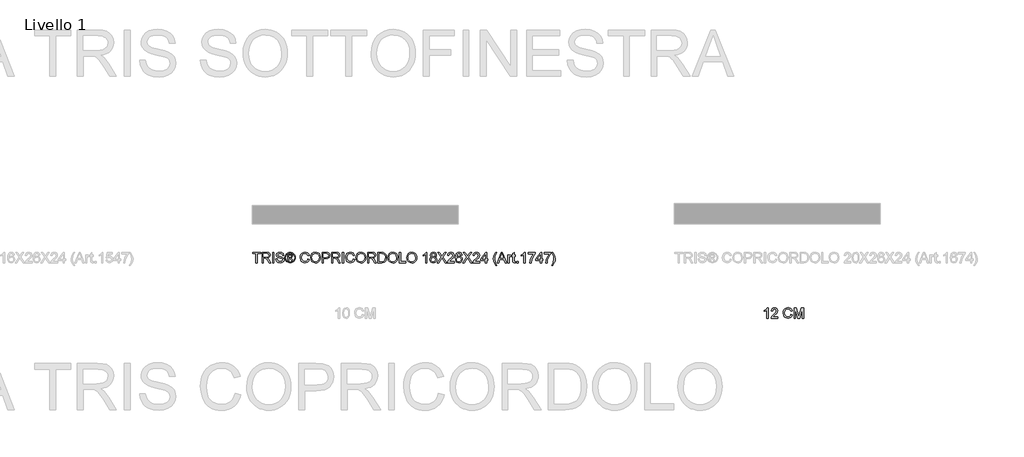
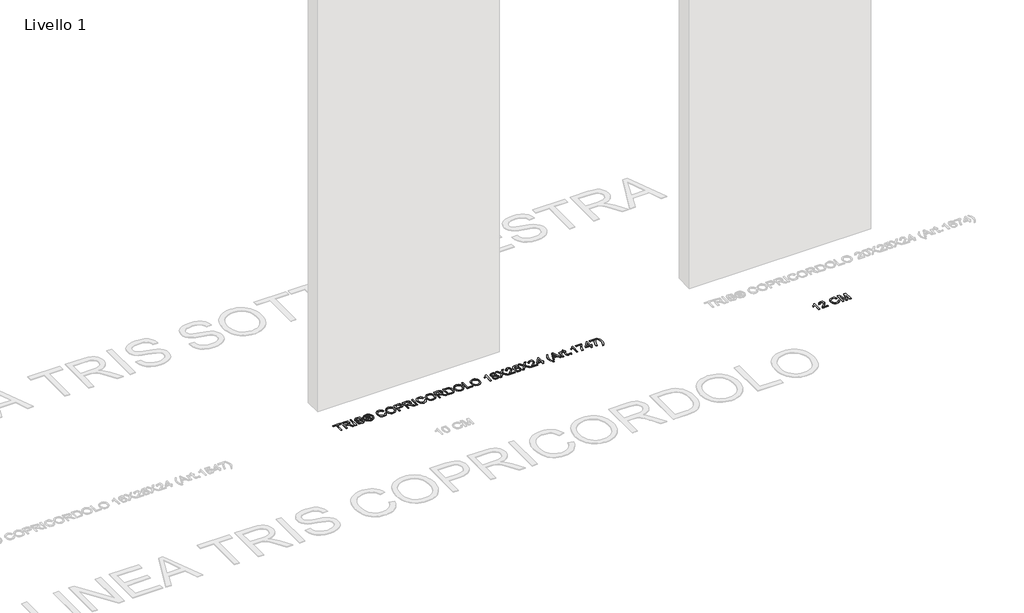
# One storey, part 3 of 16: 2 proxies.
"""IFC4 building model written with IfcOpenShell, lengths in millimetres."""

from ifc_helpers import new_model, si_unit, origin, origin_with_axes, place, context, project, spatial, polyline, outline, extrude, element, save

model = new_model("IFC4")

# Units and contexts
model_context = context("Model", 3, world=origin())
ifc_project = project(units=[si_unit("LENGTHUNIT", "METRE", prefix="MILLI")], contexts=[model_context])

# Site, building, storey
site = spatial("IfcSite", under=ifc_project)
building = spatial("IfcBuilding", under=site)
storey = spatial("IfcBuildingStorey", under=building, Name="Livello 1", Elevation=0.0)

# Proxies
placement = place(None, origin())
element("IfcBuildingElementProxy", 1, Name="100", ObjectType="100", at=placement, inside=storey, context=model_context, shape_type="SweptSolid", body=[
    extrude(outline(polyline([(3499.8577647, -2319.8590312), (3487.3007259, -2319.8590312), (3487.3007259, -2241.5737426), (3475.4058748, -2250.0472912), (3462.1866484, -2256.3871243), (3462.1866484, -2244.5167986), (3480.5930109, -2232.7691002), (3491.7643608, -2219.4027211), (3499.8577647, -2219.4027211), (3499.8577647, -2319.8590312)])), origin_with_axes(), (0.0, 0.0, 1.0), 5.0),
    extrude(outline(polyline([(3594.0355555, -2307.3019924), (3594.0355555, -2319.8590312), (3528.1111019, -2319.8590312), (3529.4600026, -2311.2015416), (3537.0874226, -2297.8719506), (3552.8082466, -2283.3160863), (3574.4887588, -2262.3958636), (3579.9088869, -2248.1710931), (3574.7953271, -2236.6563866), (3561.4412107, -2231.9597598), (3547.5230086, -2236.546022), (3542.2377706, -2249.2256881), (3529.6807318, -2247.6560583), (3532.7249553, -2235.5098211), (3539.3069773, -2226.6377336), (3549.0834414, -2221.2114742), (3561.7109908, -2219.4027211), (3574.4305108, -2221.4138093), (3584.1885807, -2227.447074), (3590.3965894, -2236.4601829), (3592.4659256, -2247.4108036), (3590.2341082, -2259.3179175), (3582.8151546, -2271.6297016), (3564.8257251, -2288.8343163), (3550.3802254, -2300.9131084), (3544.7148427, -2307.3019924), (3594.0355555, -2307.3019924)])), origin_with_axes(), (0.0, 0.0, 1.0), 5.0),
    extrude(outline(polyline([(3721.175573, -2284.1499522), (3733.7326118, -2287.3873138), (3727.9384704, -2302.0198201), (3718.8456537, -2312.7098578), (3706.9017516, -2319.2489602), (3692.5543538, -2321.428661), (3677.9892925, -2319.7793234), (3666.4224694, -2314.8313106), (3657.5565133, -2306.7563008), (3651.0940529, -2295.7259723), (3645.8333404, -2268.8705867), (3647.3201968, -2254.2227519), (3651.780766, -2241.5737426), (3658.982056, -2231.3251634), (3668.691075, -2223.8786187), (3680.2057815, -2219.3444731), (3692.8241339, -2217.8330912), (3706.5921176, -2219.7889971), (3717.9749997, -2225.656715), (3726.6171609, -2235.074494), (3732.1629819, -2247.6805837), (3719.6059432, -2250.6726906), (3709.3052473, -2235.2339096), (3692.3336246, -2230.39013), (3672.6887261, -2235.7612071), (3661.5909525, -2250.1821813), (3658.3903792, -2268.8460612), (3662.1795637, -2290.4775225), (3673.976313, -2304.2976228), (3691.303555, -2308.8716223), (3701.7851262, -2307.3142552), (3710.5192579, -2302.6421538), (3717.1135427, -2294.9043692), (3721.175573, -2284.1499522)])), origin_with_axes(), (0.0, 0.0, 1.0), 5.0),
    extrude(outline(polyline([(3750.9985401, -2319.8590312), (3750.9985401, -2219.4027211), (3772.6054759, -2219.4027211), (3793.1578167, -2290.2077424), (3797.3026206, -2304.9965986), (3801.7907809, -2288.9814691), (3821.9997652, -2219.4027211), (3843.606701, -2219.4027211), (3843.606701, -2319.8590312), (3831.0496622, -2319.8590312), (3831.0496622, -2231.9597598), (3805.8129574, -2319.8590312), (3788.7922837, -2319.8590312), (3763.5555789, -2231.9597598), (3763.5555789, -2319.8590312), (3750.9985401, -2319.8590312)])), origin_with_axes(), (0.0, 0.0, 1.0), 5.0),
])
element("IfcBuildingElementProxy", 2, Name="100", ObjectType="100", at=placement, inside=storey, context=model_context, shape_type="SweptSolid", body=[
    extrude(outline(polyline([(-1474.7353997, -1780.9291431), (-1474.7353997, -1693.0298717), (-1507.6976265, -1693.0298717), (-1507.6976265, -1680.472833), (-1429.2161342, -1680.472833), (-1429.2161342, -1693.0298717), (-1462.1783609, -1693.0298717), (-1462.1783609, -1780.9291431), (-1474.7353997, -1780.9291431)])), origin_with_axes(), (0.0, 0.0, 1.0), 5.0),
    extrude(outline(polyline([(-1415.0894655, -1780.9291431), (-1415.0894655, -1680.472833), (-1371.8020174, -1680.472833), (-1351.7033978, -1683.182897), (-1340.7159888, -1692.7723543), (-1336.6079732, -1707.9658807), (-1338.3094275, -1717.8619064), (-1343.4137901, -1726.0656749), (-1352.0743454, -1732.0805455), (-1364.4443775, -1735.4098776), (-1357.3074668, -1740.7809547), (-1347.1293983, -1753.7058755), (-1330.3785048, -1780.9291431), (-1344.9711573, -1780.9291431), (-1358.0432308, -1760.1070222), (-1367.4855354, -1746.3237101), (-1374.119674, -1739.8121988), (-1380.0916251, -1737.4209658), (-1387.3756886, -1736.9795074), (-1402.5324268, -1736.9795074), (-1402.5324268, -1780.9291431), (-1415.0894655, -1780.9291431)]), holes=[polyline([(-1402.5324268, -1724.4224686), (-1374.4262423, -1724.4224686), (-1360.0911073, -1722.6443723), (-1351.9486524, -1716.9544641), (-1349.165012, -1708.4318646), (-1354.4747755, -1697.3708793), (-1371.2624572, -1693.0298717), (-1402.5324268, -1693.0298717), (-1402.5324268, -1724.4224686)])]), origin_with_axes(), (0.0, 0.0, 1.0), 5.0),
    extrude(outline(polyline([(-1313.0635255, -1780.9291431), (-1313.0635255, -1680.472833), (-1300.5064868, -1680.472833), (-1300.5064868, -1780.9291431), (-1313.0635255, -1780.9291431)])), origin_with_axes(), (0.0, 0.0, 1.0), 5.0),
    extrude(outline(polyline([(-1280.1012988, -1746.3972865), (-1267.54426, -1746.3972865), (-1263.4975581, -1758.966588), (-1253.6137951, -1766.9128391), (-1238.5551588, -1769.9417342), (-1225.4340343, -1767.6486031), (-1216.9604857, -1761.3455582), (-1214.1768452, -1752.9210605), (-1216.2615099, -1745.085174), (-1224.7963722, -1739.3830031), (-1243.0801073, -1734.5882744), (-1262.7617941, -1728.3955942), (-1273.4426347, -1719.0513915), (-1276.9620391, -1706.5679291), (-1272.6087688, -1692.3554214), (-1259.8923145, -1682.3245057), (-1241.2774856, -1678.9032031), (-1221.4118578, -1682.4839212), (-1208.168106, -1693.0053463), (-1203.1894363, -1708.7261702), (-1215.7464751, -1708.7261702), (-1218.0518689, -1701.2336402), (-1222.8588603, -1695.8257749), (-1240.7869762, -1691.4602419), (-1258.7641431, -1695.7767239), (-1264.4050003, -1706.2000471), (-1260.4073493, -1714.9065877), (-1239.9040594, -1721.9208711), (-1217.6839869, -1728.2239159), (-1205.5316184, -1738.4019845), (-1201.6198065, -1752.6022295), (-1206.1202295, -1767.6240776), (-1219.0696758, -1778.5869611), (-1238.0646495, -1782.4987729), (-1260.4931884, -1778.2803927), (-1274.6811707, -1765.5762012), (-1280.1012988, -1746.3972865)])), origin_with_axes(), (0.0, 0.0, 1.0), 5.0),
    extrude(outline(polyline([(-1165.51832, -1762.0935849), (-1165.51832, -1699.3083911), (-1145.2357593, -1699.3083911), (-1130.177123, -1701.0374365), (-1122.7581694, -1707.0707012), (-1119.9990545, -1716.2309629), (-1124.7569949, -1728.1503395), (-1137.3630846, -1733.8402477), (-1132.4579914, -1737.1757111), (-1123.8986036, -1749.7082244), (-1116.8597948, -1762.0935849), (-1127.4547962, -1762.0935849), (-1132.9730262, -1752.1362456), (-1142.219127, -1737.7152714), (-1150.2389545, -1735.4098776), (-1156.1005409, -1735.4098776), (-1156.1005409, -1762.0935849), (-1165.51832, -1762.0935849)]), holes=[polyline([(-1156.1005409, -1725.9920985), (-1144.1811643, -1725.9920985), (-1132.5315678, -1723.6008655), (-1129.4168336, -1717.2610325), (-1130.912887, -1712.6992957), (-1135.0699535, -1709.7071888), (-1144.9414537, -1708.7261702), (-1156.1005409, -1708.7261702), (-1156.1005409, -1725.9920985)])]), origin_with_axes(), (0.0, 0.0, 1.0), 5.0),
    extrude(outline(polyline([(-1141.9493469, -1678.9032031), (-1129.0550829, -1680.5770662), (-1116.4673873, -1685.5986554), (-1105.4094677, -1693.7349789), (-1097.1045316, -1704.7530446), (-1091.9081985, -1717.4756303), (-1090.1760874, -1730.7255135), (-1091.883673, -1743.8589007), (-1097.0064298, -1756.4772532), (-1105.2101983, -1767.455465), (-1116.160819, -1775.6684306), (-1128.7699744, -1780.7911874), (-1141.9493469, -1782.4987729), (-1155.1103252, -1780.7911874), (-1167.7133493, -1775.6684306), (-1178.673167, -1767.455465), (-1186.9045267, -1756.4772532), (-1192.0548746, -1743.8589007), (-1193.7716572, -1730.7255135), (-1192.0303491, -1717.4756303), (-1186.8064248, -1704.7530446), (-1178.4738976, -1693.7349789), (-1167.4067809, -1685.5986554), (-1154.8252167, -1680.5770662), (-1141.9493469, -1678.9032031)]), holes=[polyline([(-1141.9493469, -1688.3209822), (-1162.7714678, -1693.8024239), (-1171.7999051, -1700.4641537), (-1178.6271818, -1709.4864596), (-1184.3538782, -1730.7255135), (-1178.7375464, -1751.7806263), (-1163.0167224, -1767.4646621), (-1141.9493469, -1773.0809939), (-1120.8697085, -1767.4646621), (-1105.1856728, -1751.7806263), (-1099.5938665, -1730.7255135), (-1105.2837747, -1709.4864596), (-1112.0926573, -1700.4641537), (-1121.1394887, -1693.8024239), (-1141.9493469, -1688.3209822)])]), origin_with_axes(), (0.0, 0.0, 1.0), 5.0),
    extrude(outline(polyline([(-969.3145893, -1745.2200641), (-956.7575505, -1748.4574257), (-962.5516919, -1763.089932), (-971.6445086, -1773.7799697), (-983.5884107, -1780.3190721), (-997.9358085, -1782.4987729), (-1012.5008698, -1780.8494353), (-1024.0676929, -1775.9014225), (-1032.933649, -1767.8264127), (-1039.3961093, -1756.7960842), (-1044.6568219, -1729.9406986), (-1043.1699655, -1715.2928638), (-1038.7093963, -1702.6438545), (-1031.5081062, -1692.3952753), (-1021.7990872, -1684.9487306), (-1010.2843808, -1680.414585), (-997.6660283, -1678.9032031), (-983.8980447, -1680.859109), (-972.5151626, -1686.7268269), (-963.8730014, -1696.1446059), (-958.3271803, -1708.7506956), (-970.8842191, -1711.7428025), (-981.184915, -1696.3040215), (-998.1565377, -1691.4602419), (-1017.8014362, -1696.831319), (-1028.8992097, -1711.2522932), (-1032.0997831, -1729.9161731), (-1028.3105985, -1751.5476344), (-1016.5138492, -1765.3677347), (-999.1866073, -1769.9417342), (-988.7050361, -1768.3843671), (-979.9709044, -1763.7122657), (-973.3766196, -1755.9744811), (-969.3145893, -1745.2200641)])), origin_with_axes(), (0.0, 0.0, 1.0), 5.0),
    extrude(outline(polyline([(-944.2005117, -1732.0253632), (-940.8527856, -1709.8114221), (-930.8096071, -1693.0053463), (-915.4750593, -1682.4287389), (-896.253225, -1678.9032031), (-883.0769182, -1680.5586721), (-871.2617748, -1685.525079), (-861.4515883, -1693.452936), (-854.2901521, -1703.9927552), (-849.9123563, -1716.6356331), (-848.4530911, -1730.8726663), (-849.9889984, -1745.2997719), (-854.5967204, -1758.1204594), (-862.0218054, -1768.6786727), (-872.0098015, -1776.3183554), (-883.7237774, -1780.9536686), (-896.3268014, -1782.4987729), (-909.7054433, -1780.7911874), (-921.5880317, -1775.6684306), (-931.3736928, -1767.5934208), (-938.4615526, -1757.0290761), (-944.2005117, -1732.0253632)]), holes=[polyline([(-931.6434729, -1732.1479905), (-929.1326783, -1747.8626831), (-921.6002945, -1759.837242), (-910.2787261, -1767.4156111), (-896.4003778, -1769.9417342), (-882.3196944, -1767.3910857), (-870.9797319, -1759.7391402), (-863.5025304, -1747.3966992), (-861.0101299, -1730.7745644), (-865.277561, -1710.0505454), (-877.7487607, -1696.3285469), (-896.1796486, -1691.4602419), (-909.6870492, -1693.8054896), (-921.1710988, -1700.8412328), (-929.0253794, -1713.3584176), (-931.6434729, -1732.1479905)])]), origin_with_axes(), (0.0, 0.0, 1.0), 5.0),
    extrude(outline(polyline([(-831.1871628, -1780.9291431), (-831.1871628, -1680.472833), (-793.9575049, -1680.472833), (-778.9479195, -1681.4293261), (-766.7465, -1686.1259529), (-758.8370371, -1695.8380376), (-755.8449302, -1709.5355106), (-757.8652155, -1721.3751794), (-763.9260713, -1731.2405483), (-775.2599025, -1737.8992124), (-793.0991136, -1740.1187671), (-818.630124, -1740.1187671), (-818.630124, -1780.9291431), (-831.1871628, -1780.9291431)]), holes=[polyline([(-818.630124, -1727.5617283), (-792.3633496, -1727.5617283), (-773.8711479, -1722.9509407), (-769.7692637, -1717.4020539), (-768.401969, -1709.976969), (-771.6270678, -1699.5781712), (-780.1006164, -1693.888263), (-792.6576552, -1693.0298717), (-818.630124, -1693.0298717), (-818.630124, -1727.5617283)])]), origin_with_axes(), (0.0, 0.0, 1.0), 5.0),
    extrude(outline(polyline([(-738.5790019, -1780.9291431), (-738.5790019, -1680.472833), (-695.2915538, -1680.472833), (-675.1929341, -1683.182897), (-664.2055252, -1692.7723543), (-660.0975096, -1707.9658807), (-661.7989638, -1717.8619064), (-666.9033265, -1726.0656749), (-675.5638818, -1732.0805455), (-687.9339139, -1735.4098776), (-680.7970032, -1740.7809547), (-670.6189346, -1753.7058755), (-653.8680411, -1780.9291431), (-668.4606936, -1780.9291431), (-681.5327672, -1760.1070222), (-690.9750717, -1746.3237101), (-697.6092103, -1739.8121988), (-703.5811614, -1737.4209658), (-710.8652249, -1736.9795074), (-726.0219631, -1736.9795074), (-726.0219631, -1780.9291431), (-738.5790019, -1780.9291431)]), holes=[polyline([(-726.0219631, -1724.4224686), (-697.9157787, -1724.4224686), (-683.5806436, -1722.6443723), (-675.4381888, -1716.9544641), (-672.6545483, -1708.4318646), (-677.9643118, -1697.3708793), (-694.7519935, -1693.0298717), (-726.0219631, -1693.0298717), (-726.0219631, -1724.4224686)])]), origin_with_axes(), (0.0, 0.0, 1.0), 5.0),
    extrude(outline(polyline([(-636.5530619, -1780.9291431), (-636.5530619, -1680.472833), (-623.9960231, -1680.472833), (-623.9960231, -1780.9291431), (-636.5530619, -1780.9291431)])), origin_with_axes(), (0.0, 0.0, 1.0), 5.0),
    extrude(outline(polyline([(-528.2486025, -1745.2200641), (-515.6915637, -1748.4574257), (-521.4857052, -1763.089932), (-530.5785218, -1773.7799697), (-542.5224239, -1780.3190721), (-556.8698217, -1782.4987729), (-571.4348831, -1780.8494353), (-583.0017061, -1775.9014225), (-591.8676622, -1767.8264127), (-598.3301226, -1756.7960842), (-603.5908351, -1729.9406986), (-602.1039787, -1715.2928638), (-597.6434095, -1702.6438545), (-590.4421195, -1692.3952753), (-580.7331005, -1684.9487306), (-569.218394, -1680.414585), (-556.6000416, -1678.9032031), (-542.8320579, -1680.859109), (-531.4491759, -1686.7268269), (-522.8070147, -1696.1446059), (-517.2611936, -1708.7506956), (-529.8182323, -1711.7428025), (-540.1189282, -1696.3040215), (-557.0905509, -1691.4602419), (-576.7354495, -1696.831319), (-587.833223, -1711.2522932), (-591.0337963, -1729.9161731), (-587.2446118, -1751.5476344), (-575.4478625, -1765.3677347), (-558.1206205, -1769.9417342), (-547.6390493, -1768.3843671), (-538.9049176, -1763.7122657), (-532.3106329, -1755.9744811), (-528.2486025, -1745.2200641)])), origin_with_axes(), (0.0, 0.0, 1.0), 5.0),
    extrude(outline(polyline([(-503.134525, -1732.0253632), (-499.7867988, -1709.8114221), (-489.7436203, -1693.0053463), (-474.4090725, -1682.4287389), (-455.1872383, -1678.9032031), (-442.0109315, -1680.5586721), (-430.1957881, -1685.525079), (-420.3856015, -1693.452936), (-413.2241653, -1703.9927552), (-408.8463696, -1716.6356331), (-407.3871044, -1730.8726663), (-408.9230117, -1745.2997719), (-413.5307337, -1758.1204594), (-420.9558186, -1768.6786727), (-430.9438148, -1776.3183554), (-442.6577906, -1780.9536686), (-455.2608147, -1782.4987729), (-468.6394565, -1780.7911874), (-480.522045, -1775.6684306), (-490.3077061, -1767.5934208), (-497.3955658, -1757.0290761), (-503.134525, -1732.0253632)]), holes=[polyline([(-490.5774862, -1732.1479905), (-488.0666916, -1747.8626831), (-480.5343077, -1759.837242), (-469.2127393, -1767.4156111), (-455.3343911, -1769.9417342), (-441.2537077, -1767.3910857), (-429.9137452, -1759.7391402), (-422.4365436, -1747.3966992), (-419.9441431, -1730.7745644), (-424.2115743, -1710.0505454), (-436.6827739, -1696.3285469), (-455.1136619, -1691.4602419), (-468.6210624, -1693.8054896), (-480.1051121, -1700.8412328), (-487.9593927, -1713.3584176), (-490.5774862, -1732.1479905)])]), origin_with_axes(), (0.0, 0.0, 1.0), 5.0),
    extrude(outline(polyline([(-390.121176, -1780.9291431), (-390.121176, -1680.472833), (-346.8337279, -1680.472833), (-326.7351083, -1683.182897), (-315.7476994, -1692.7723543), (-311.6396837, -1707.9658807), (-313.341138, -1717.8619064), (-318.4455007, -1726.0656749), (-327.106056, -1732.0805455), (-339.476088, -1735.4098776), (-332.3391773, -1740.7809547), (-322.1611088, -1753.7058755), (-305.4102153, -1780.9291431), (-320.0028678, -1780.9291431), (-333.0749413, -1760.1070222), (-342.5172459, -1746.3237101), (-349.1513845, -1739.8121988), (-355.1233356, -1737.4209658), (-362.4073991, -1736.9795074), (-377.5641373, -1736.9795074), (-377.5641373, -1780.9291431), (-390.121176, -1780.9291431)]), holes=[polyline([(-377.5641373, -1724.4224686), (-349.4579528, -1724.4224686), (-335.1228178, -1722.6443723), (-326.9803629, -1716.9544641), (-324.1967225, -1708.4318646), (-329.506486, -1697.3708793), (-346.2941677, -1693.0298717), (-377.5641373, -1693.0298717), (-377.5641373, -1724.4224686)])]), origin_with_axes(), (0.0, 0.0, 1.0), 5.0),
    extrude(outline(polyline([(-289.6648659, -1780.9291431), (-289.6648659, -1680.472833), (-255.0103819, -1680.472833), (-237.0822661, -1681.9198355), (-222.3179353, -1689.1057971), (-210.4230841, -1706.2736235), (-206.4744841, -1730.1614278), (-209.1477599, -1750.4317257), (-216.0148905, -1765.0611664), (-225.1874149, -1774.1723771), (-237.1926306, -1779.2123605), (-253.3426502, -1780.9291431), (-289.6648659, -1780.9291431)]), holes=[polyline([(-277.1078271, -1768.3721043), (-254.8877546, -1768.3721043), (-238.7254723, -1766.5572198), (-229.4057951, -1761.4313974), (-221.7661123, -1748.9601977), (-219.0315228, -1729.965224), (-220.3712264, -1716.2800138), (-224.3903372, -1706.1755217), (-237.4256226, -1695.04096), (-255.2311111, -1693.0298717), (-277.1078271, -1693.0298717), (-277.1078271, -1768.3721043)])]), origin_with_axes(), (0.0, 0.0, 1.0), 5.0),
    extrude(outline(polyline([(-193.9174453, -1732.0253632), (-190.5697191, -1709.8114221), (-180.5265407, -1693.0053463), (-165.1919928, -1682.4287389), (-145.9701586, -1678.9032031), (-132.7938518, -1680.5586721), (-120.9787084, -1685.525079), (-111.1685218, -1693.452936), (-104.0070857, -1703.9927552), (-99.6292899, -1716.6356331), (-98.1700247, -1730.8726663), (-99.705932, -1745.2997719), (-104.313654, -1758.1204594), (-111.7387389, -1768.6786727), (-121.7267351, -1776.3183554), (-133.440711, -1780.9536686), (-146.043735, -1782.4987729), (-159.4223769, -1780.7911874), (-171.3049653, -1775.6684306), (-181.0906264, -1767.5934208), (-188.1784862, -1757.0290761), (-193.9174453, -1732.0253632)]), holes=[polyline([(-181.3604065, -1732.1479905), (-178.8496119, -1747.8626831), (-171.317228, -1759.837242), (-159.9956596, -1767.4156111), (-146.1173114, -1769.9417342), (-132.036628, -1767.3910857), (-120.6966655, -1759.7391402), (-113.219464, -1747.3966992), (-110.7270634, -1730.7745644), (-114.9944946, -1710.0505454), (-127.4656942, -1696.3285469), (-145.8965822, -1691.4602419), (-159.4039828, -1693.8054896), (-170.8880324, -1700.8412328), (-178.742313, -1713.3584176), (-181.3604065, -1732.1479905)])]), origin_with_axes(), (0.0, 0.0, 1.0), 5.0),
    extrude(outline(polyline([(-80.9040964, -1780.9291431), (-80.9040964, -1680.472833), (-68.3470576, -1680.472833), (-68.3470576, -1768.3721043), (-18.1189025, -1768.3721043), (-18.1189025, -1780.9291431), (-80.9040964, -1780.9291431)])), origin_with_axes(), (0.0, 0.0, 1.0), 5.0),
    extrude(outline(polyline([(-8.7011234, -1732.0253632), (-5.3533973, -1709.8114221), (4.6897812, -1693.0053463), (20.024329, -1682.4287389), (39.2461633, -1678.9032031), (52.4224701, -1680.5586721), (64.2376135, -1685.525079), (74.0478, -1693.452936), (81.2092362, -1703.9927552), (85.5870319, -1716.6356331), (87.0462972, -1730.8726663), (85.5103898, -1745.2997719), (80.9026678, -1758.1204594), (73.4775829, -1768.6786727), (63.4895867, -1776.3183554), (51.7756109, -1780.9536686), (39.1725869, -1782.4987729), (25.793945, -1780.7911874), (13.9113565, -1775.6684306), (4.1256955, -1767.5934208), (-2.9621643, -1757.0290761), (-8.7011234, -1732.0253632)]), holes=[polyline([(3.8559153, -1732.1479905), (6.3667099, -1747.8626831), (13.8990938, -1759.837242), (25.2206622, -1767.4156111), (39.0990105, -1769.9417342), (53.1796938, -1767.3910857), (64.5196563, -1759.7391402), (71.9968579, -1747.3966992), (74.4892584, -1730.7745644), (70.2218273, -1710.0505454), (57.7506276, -1696.3285469), (39.3197397, -1691.4602419), (25.8123391, -1693.8054896), (14.3282895, -1700.8412328), (6.4740089, -1713.3584176), (3.8559153, -1732.1479905)])]), origin_with_axes(), (0.0, 0.0, 1.0), 5.0),
    extrude(outline(polyline([(185.9329775, -1780.9291431), (173.3759387, -1780.9291431), (173.3759387, -1702.6438545), (161.4810875, -1711.1174031), (148.2618612, -1717.4572362), (148.2618612, -1705.5869105), (166.6682237, -1693.8392121), (177.8395736, -1680.472833), (185.9329775, -1680.472833), (185.9329775, -1780.9291431)])), origin_with_axes(), (0.0, 0.0, 1.0), 5.0),
    extrude(outline(polyline([(234.0519424, -1725.599691), (222.6108124, -1717.8005927), (218.8952042, -1705.6604869), (220.9185552, -1695.844169), (226.9886081, -1687.732371), (236.4247813, -1682.2877175), (248.546493, -1680.472833), (260.7417812, -1682.330637), (270.3005817, -1687.9040493), (276.4809992, -1696.1446059), (278.5411384, -1706.0038434), (274.8745812, -1717.8373809), (263.7522822, -1725.599691), (277.1063986, -1735.4466658), (281.6803981, -1751.6947872), (279.4117924, -1763.700003), (272.6059755, -1773.6205541), (262.0968132, -1780.2792182), (248.7181713, -1782.4987729), (235.3395294, -1780.2700212), (224.8303671, -1773.5837659), (218.0245502, -1763.5681786), (215.7559445, -1751.3514307), (220.513885, -1734.7231645), (234.0519424, -1725.599691)]), holes=[polyline([(231.452243, -1706.0283689), (235.9036151, -1715.8876064), (248.8653241, -1719.7135791), (261.5695157, -1715.9121318), (265.9840996, -1706.5924546), (261.4223629, -1696.9416836), (248.7181713, -1693.0298717), (235.9771915, -1696.8558445), (231.452243, -1706.0283689)]), polyline([(228.3129833, -1750.9099723), (230.4099107, -1760.3645396), (237.8288643, -1767.4401366), (248.8162732, -1769.9417342), (257.3633982, -1768.626556), (263.7768076, -1764.6810216), (269.1233593, -1751.3023798), (263.6051294, -1737.6662205), (257.0445671, -1733.6195185), (248.3993403, -1732.2706179), (239.9717769, -1733.6011244), (233.6227468, -1737.5926441), (228.3129833, -1750.9099723)])]), origin_with_axes(), (0.0, 0.0, 1.0), 5.0),
    extrude(outline(polyline([(286.3892876, -1780.9291431), (325.114999, -1726.1883022), (292.667807, -1680.472833), (307.7264433, -1680.472833), (325.9979158, -1706.2000471), (332.1538078, -1716.2309629), (339.3642949, -1706.0283689), (357.4395636, -1680.472833), (372.7189292, -1680.472833), (340.2717372, -1726.335455), (378.9974485, -1780.9291431), (363.9388122, -1780.9291431), (338.1380216, -1744.533351), (332.7669445, -1736.9795074), (326.8563071, -1745.269115), (301.6686532, -1780.9291431), (286.3892876, -1780.9291431)])), origin_with_axes(), (0.0, 0.0, 1.0), 5.0),
    extrude(outline(polyline([(451.2004215, -1768.3721043), (451.2004215, -1780.9291431), (385.2759679, -1780.9291431), (386.6248686, -1772.2716535), (394.2522886, -1758.9420625), (409.9731125, -1744.3861982), (431.6536248, -1723.4659755), (437.0737528, -1709.241205), (431.9601931, -1697.7264985), (418.6060767, -1693.0298717), (404.6878745, -1697.6161339), (399.4026365, -1710.2958), (386.8455978, -1708.7261702), (389.8898213, -1696.579933), (396.4718433, -1687.7078455), (406.2483073, -1682.2815861), (418.8758568, -1680.472833), (431.5953768, -1682.4839212), (441.3534467, -1688.5171859), (447.5614554, -1697.5302948), (449.6307916, -1708.4809155), (447.3989742, -1720.3880294), (439.9800206, -1732.6998135), (421.990591, -1749.9044282), (407.5450914, -1761.9832203), (401.8797086, -1768.3721043), (451.2004215, -1768.3721043)])), origin_with_axes(), (0.0, 0.0, 1.0), 5.0),
    extrude(outline(polyline([(528.1122839, -1707.1565403), (515.5552451, -1708.7261702), (510.7973047, -1698.2537961), (498.2157404, -1693.0298717), (486.884975, -1696.0710295), (478.3133245, -1707.4876341), (474.7448691, -1729.8671222), (485.8181172, -1719.8484692), (499.5401156, -1716.5743194), (511.1406612, -1718.8122682), (520.8772713, -1725.5261146), (527.4807532, -1735.7838909), (529.6819138, -1748.6536294), (525.53711, -1765.9808714), (514.1327681, -1778.2436045), (497.6761802, -1782.4987729), (483.4299499, -1779.6783443), (472.0838561, -1771.2170584), (464.6618368, -1756.2810494), (462.1878304, -1734.0364514), (464.9346826, -1709.0266071), (473.1752393, -1691.9262257), (484.426297, -1683.3361811), (499.0005554, -1680.472833), (510.0186211, -1682.2447979), (518.8416576, -1687.5606927), (525.0220752, -1696.0035845), (528.1122839, -1707.1565403)]), holes=[polyline([(474.7448691, -1748.4574257), (477.6511369, -1759.33447), (485.3766588, -1767.2316701), (496.6951615, -1769.9417342), (504.9817035, -1768.5376512), (511.4962805, -1764.3254024), (515.7177264, -1757.7035265), (517.124875, -1749.0705623), (515.7361205, -1740.7840204), (511.5698569, -1734.4656471), (504.9449153, -1730.4649304), (496.1801267, -1729.1313582), (480.9866003, -1734.4656471), (476.3053019, -1740.6307362), (474.7448691, -1748.4574257)])]), origin_with_axes(), (0.0, 0.0, 1.0), 5.0),
    extrude(outline(polyline([(534.3908033, -1780.9291431), (573.1165147, -1726.1883022), (540.6693227, -1680.472833), (555.727959, -1680.472833), (573.9994314, -1706.2000471), (580.1553235, -1716.2309629), (587.3658106, -1706.0283689), (605.4410793, -1680.472833), (620.7204448, -1680.472833), (588.2732529, -1726.335455), (626.9989642, -1780.9291431), (611.9403279, -1780.9291431), (586.1395373, -1744.533351), (580.7684602, -1736.9795074), (574.8578228, -1745.269115), (549.6701688, -1780.9291431), (534.3908033, -1780.9291431)])), origin_with_axes(), (0.0, 0.0, 1.0), 5.0),
    extrude(outline(polyline([(699.2019371, -1768.3721043), (699.2019371, -1780.9291431), (633.2774836, -1780.9291431), (634.6263843, -1772.2716535), (642.2538043, -1758.9420625), (657.9746282, -1744.3861982), (679.6551405, -1723.4659755), (685.0752685, -1709.241205), (679.9617088, -1697.7264985), (666.6075924, -1693.0298717), (652.6893902, -1697.6161339), (647.4041522, -1710.2958), (634.8471135, -1708.7261702), (637.891337, -1696.579933), (644.473359, -1687.7078455), (654.249823, -1682.2815861), (666.8773725, -1680.472833), (679.5968925, -1682.4839212), (689.3549624, -1688.5171859), (695.5629711, -1697.5302948), (697.6323073, -1708.4809155), (695.4004899, -1720.3880294), (687.9815363, -1732.6998135), (669.9921067, -1749.9044282), (655.546607, -1761.9832203), (649.8812243, -1768.3721043), (699.2019371, -1768.3721043)])), origin_with_axes(), (0.0, 0.0, 1.0), 5.0),
    extrude(outline(polyline([(752.5693519, -1780.9291431), (752.5693519, -1757.3846954), (707.0500864, -1757.3846954), (707.0500864, -1744.8276566), (755.7086116, -1682.0424628), (765.1263907, -1682.0424628), (765.1263907, -1744.8276566), (777.6834294, -1744.8276566), (777.6834294, -1757.3846954), (765.1263907, -1757.3846954), (765.1263907, -1780.9291431), (752.5693519, -1780.9291431)]), holes=[polyline([(752.5693519, -1744.8276566), (752.5693519, -1706.0283689), (722.5011302, -1744.8276566), (752.5693519, -1744.8276566)])]), origin_with_axes(), (0.0, 0.0, 1.0), 5.0),
    extrude(outline(polyline([(856.1649217, -1809.1824803), (838.3349077, -1779.7273952), (832.8718601, -1762.5473061), (831.0508442, -1744.7540802), (836.4954977, -1714.2198746), (856.1649217, -1680.472833), (865.5827008, -1680.472833), (853.8350024, -1700.3629862), (846.7716681, -1719.6400027), (843.607883, -1744.8276566), (849.1015874, -1777.0173312), (865.5827008, -1809.1824803), (856.1649217, -1809.1824803)])), origin_with_axes(), (0.0, 0.0, 1.0), 5.0),
    extrude(outline(polyline([(868.010722, -1780.9291431), (908.1098595, -1680.472833), (918.8029628, -1680.472833), (958.9021003, -1780.9291431), (945.633823, -1780.9291431), (934.1313793, -1749.5365462), (892.7569175, -1749.5365462), (881.2789993, -1780.9291431), (868.010722, -1780.9291431)]), holes=[polyline([(897.3677052, -1736.9795074), (929.5451171, -1736.9795074), (920.49522, -1712.2823628), (913.4564111, -1693.0298717), (907.2024172, -1710.1241218), (897.3677052, -1736.9795074)])]), origin_with_axes(), (0.0, 0.0, 1.0), 5.0),
    extrude(outline(polyline([(970.7479005, -1780.9291431), (970.7479005, -1707.1565403), (981.7353094, -1707.1565403), (981.7353094, -1718.0703729), (989.5344077, -1708.0149317), (997.382557, -1705.5869105), (1009.9886467, -1709.4619342), (1005.7947919, -1720.7191232), (996.965624, -1718.1439493), (989.8655015, -1720.6210214), (985.340553, -1727.4881519), (983.3049393, -1742.1543808), (983.3049393, -1780.9291431), (970.7479005, -1780.9291431)])), origin_with_axes(), (0.0, 0.0, 1.0), 5.0),
    extrude(outline(polyline([(1044.5205033, -1770.456769), (1046.0901331, -1781.2970251), (1036.6968795, -1782.4987729), (1026.1754545, -1780.4141083), (1020.9270047, -1774.9449293), (1019.4064257, -1760.6956334), (1019.4064257, -1719.7135791), (1009.9886467, -1719.7135791), (1009.9886467, -1707.1565403), (1019.4064257, -1707.1565403), (1019.4064257, -1689.2284244), (1031.9634645, -1681.8462591), (1031.9634645, -1707.1565403), (1044.5205033, -1707.1565403), (1044.5205033, -1719.7135791), (1031.9634645, -1719.7135791), (1031.9634645, -1760.3277514), (1032.6256521, -1766.8024745), (1034.7716304, -1769.0956056), (1039.0513243, -1769.9417342), (1044.5205033, -1770.456769)])), origin_with_axes(), (0.0, 0.0, 1.0), 5.0),
    extrude(outline(polyline([(1060.2168017, -1780.9291431), (1060.2168017, -1768.3721043), (1072.7738405, -1768.3721043), (1072.7738405, -1780.9291431), (1060.2168017, -1780.9291431)])), origin_with_axes(), (0.0, 0.0, 1.0), 5.0),
    extrude(outline(polyline([(1140.2679239, -1780.9291431), (1127.7108851, -1780.9291431), (1127.7108851, -1702.6438545), (1115.8160339, -1711.1174031), (1102.5968076, -1717.4572362), (1102.5968076, -1705.5869105), (1121.0031701, -1693.8392121), (1132.17452, -1680.472833), (1140.2679239, -1680.472833), (1140.2679239, -1780.9291431)])), origin_with_axes(), (0.0, 0.0, 1.0), 5.0),
    extrude(outline(polyline([(1170.090891, -1694.5995016), (1170.090891, -1682.0424628), (1236.0153445, -1682.0424628), (1236.0153445, -1692.1960059), (1217.3146764, -1719.210807), (1203.0040668, -1753.6322991), (1198.3442282, -1780.9291431), (1185.7871894, -1780.9291431), (1190.7781218, -1752.6022295), (1204.4755948, -1720.5842332), (1223.4583057, -1694.5995016), (1170.090891, -1694.5995016)])), origin_with_axes(), (0.0, 0.0, 1.0), 5.0),
    extrude(outline(polyline([(1287.8131294, -1780.9291431), (1287.8131294, -1757.3846954), (1242.2938639, -1757.3846954), (1242.2938639, -1744.8276566), (1290.9523891, -1682.0424628), (1300.3701682, -1682.0424628), (1300.3701682, -1744.8276566), (1312.927207, -1744.8276566), (1312.927207, -1757.3846954), (1300.3701682, -1757.3846954), (1300.3701682, -1780.9291431), (1287.8131294, -1780.9291431)]), holes=[polyline([(1287.8131294, -1744.8276566), (1287.8131294, -1706.0283689), (1257.7449077, -1744.8276566), (1287.8131294, -1744.8276566)])]), origin_with_axes(), (0.0, 0.0, 1.0), 5.0),
    extrude(outline(polyline([(1323.9146159, -1694.5995016), (1323.9146159, -1682.0424628), (1389.8390694, -1682.0424628), (1389.8390694, -1692.1960059), (1371.1384013, -1719.210807), (1356.8277917, -1753.6322991), (1352.1679531, -1780.9291431), (1339.6109143, -1780.9291431), (1344.6018467, -1752.6022295), (1358.2993197, -1720.5842332), (1377.2820306, -1694.5995016), (1323.9146159, -1694.5995016)])), origin_with_axes(), (0.0, 0.0, 1.0), 5.0),
    extrude(outline(polyline([(1407.1049977, -1809.1824803), (1397.6872186, -1809.1824803), (1414.168332, -1777.0173312), (1419.6620365, -1744.8276566), (1416.4982513, -1719.8607319), (1409.5084934, -1700.5591899), (1397.6872186, -1680.472833), (1407.1049977, -1680.472833), (1426.7744217, -1714.2198746), (1432.2190753, -1744.7540802), (1430.3888623, -1762.5473061), (1424.8982236, -1779.7273952), (1407.1049977, -1809.1824803)])), origin_with_axes(), (0.0, 0.0, 1.0), 5.0),
])

save(model, "model.ifc")
